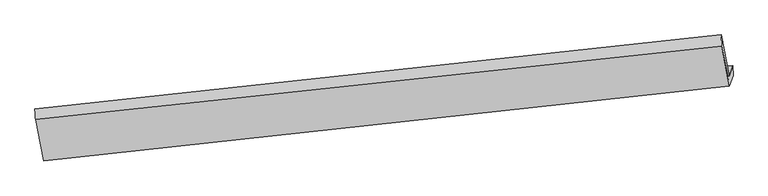
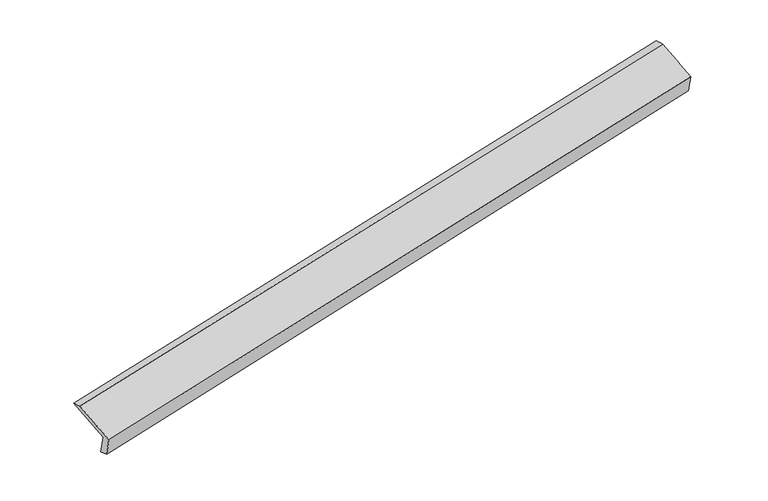
"""IFC4 building model written with IfcOpenShell, lengths in millimetres: proxy geometry."""

from ifc_helpers import new_model, si_unit, frame, origin, place, context, project, spatial, source, transform, mapped, element, save
from ifc_brep_helpers import plane_surface, spline_surface, advanced_brep


def generic_models_e1b6b867(model_context):
    return source(origin(), model_context, "Body", "AdvancedBrep", [
        advanced_brep(
        [(-8446.4648196, -2149.8676117, 395.3277911), (-8509.1989247, -2330.6145447, 806.4684592), (2825.5639961, -1091.1256243, 3081.6482651), (2885.5312988, -918.350289, 2688.640397), (-8436.2991097, -2310.4277108, 434.1250946), (2892.6337155, -1080.4180419, 2740.7438977), (-8499.7646468, -2493.2820156, 850.0593503), (2832.3622619, -1254.0696842, 3135.7450802), (-8633.319618, -1807.8031846, 1131.0331233), (2705.8339063, -589.317793, 3408.6789714), (-8644.2405205, -1637.5055245, 1090.5698022), (2695.1312984, -405.8611861, 3363.0041996)],
        [
            (0, 1),
            (1, 2),
            (2, 3),
            (3, 0),
            (4, 0),
            (3, 5),
            (5, 4),
            (6, 4),
            (5, 7),
            (7, 6),
            (8, 6),
            (7, 9),
            (9, 8),
            (10, 8),
            (9, 11),
            (11, 10),
            (1, 10),
            (11, 2),
        ],
        [
            plane_surface(frame((-8477.8318721, -2240.2410782, 600.8981252), z_axis=(-0.17464456706727863, 0.9109142756732705, 0.373810724255637), x_axis=(-0.13834011909076765, -0.39857988259129035, 0.9066399994724839))),
            spline_surface(1, 1, [[(-8436.2991097, -2310.4277108, 434.1250946), (2892.6337155, -1080.4180419, 2740.7438977)], [(-8446.4648196, -2149.8676117, 395.3277911), (2885.5312988, -918.350289, 2688.640397)]], [2, 2], [2, 2], [0.0, 1.0], [0.0, 1.0]),
            plane_surface(frame((-8468.0318783, -2401.8548632, 642.0922224), z_axis=(0.17499132166305048, -0.9108762902339396, -0.37374111525529974), x_axis=(0.13834011909084812, 0.39857988259129357, -0.9066399994724702))),
            spline_surface(1, 1, [[(-8633.319618, -1807.8031846, 1131.0331233), (2705.8339063, -589.317793, 3408.6789714)], [(-8499.7646468, -2493.2820156, 850.0593503), (2832.3622619, -1254.0696842, 3135.7450802)]], [2, 2], [2, 2], [0.0, 1.0], [0.0, 1.0]),
            spline_surface(1, 1, [[(-8644.2405205, -1637.5055245, 1090.5698022), (2695.1312984, -405.8611861, 3363.0041996)], [(-8633.319618, -1807.8031846, 1131.0331233), (2705.8339063, -589.317793, 3408.6789714)]], [2, 2], [2, 2], [0.0, 1.0], [0.0, 1.0]),
            spline_surface(1, 1, [[(-8509.1989247, -2330.6145447, 806.4684592), (2825.5639961, -1091.1256243, 3081.6482651)], [(-8644.2405205, -1637.5055245, 1090.5698022), (2695.1312984, -405.8611861, 3363.0041996)]], [2, 2], [2, 2], [0.0, 1.0], [0.0, 1.0]),
            plane_surface(frame((2806.1760795, -889.8571031, 3069.7434685), z_axis=(0.9750854171635546, 0.10547161264261169, 0.19515165426289408), x_axis=(0.17340830627426074, -0.9110487451942783, -0.3740584756358603))),
            plane_surface(frame((-8528.2146065, -2121.583432, 784.5972701), z_axis=(-0.9743638697768267, -0.10921823016965686, -0.19668865618569695), x_axis=(0.13834011909069507, 0.39857988259128513, -0.9066399994724973))),
        ],
        [
            (0, [[1, 2, 3, 4]]),
            (1, [[5, -4, 6, 7]]),
            (2, [[8, -7, 9, 10]]),
            (3, [[11, -10, 12, 13]]),
            (4, [[14, -13, 15, 16]]),
            (5, [[17, -16, 18, -2]]),
            (6, [[-12, -9, -6, -3, -18, -15]]),
            (7, [[-1, -5, -8, -11, -14, -17]]),
        ],
    ),
    ])


if __name__ == "__main__":
    model = new_model("IFC4")
    model_context = context("Model", 3, world=origin())
    ifc_project = project(units=[si_unit("LENGTHUNIT", "METRE", prefix="MILLI")], contexts=[model_context])
    site = spatial("IfcSite", under=ifc_project)
    building = spatial("IfcBuilding", under=site)
    placement = place(None, origin())
    generic_models_shape = generic_models_e1b6b867(model_context)
    element("IfcBuildingElementProxy", 1, Name="Generic Models", at=placement, inside=building, context=model_context, shape_type="MappedRepresentation", body=[
        mapped(generic_models_shape, transform((0.0, 0.0, 0.0), x_axis=(1.0, 0.0, 0.0), y_axis=(0.0, 1.0, 0.0), z_axis=(0.0, 0.0, 1.0))),
    ])
    save(model, "model.ifc")
